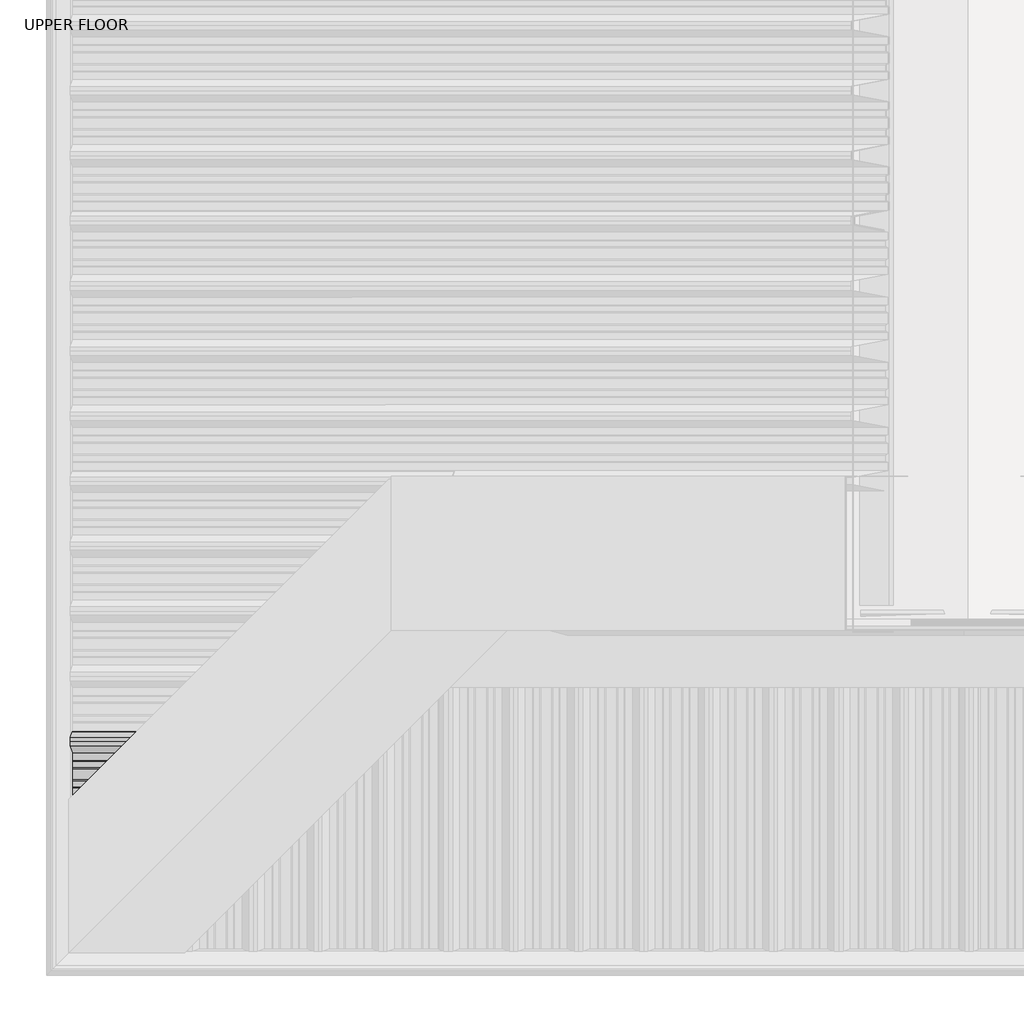
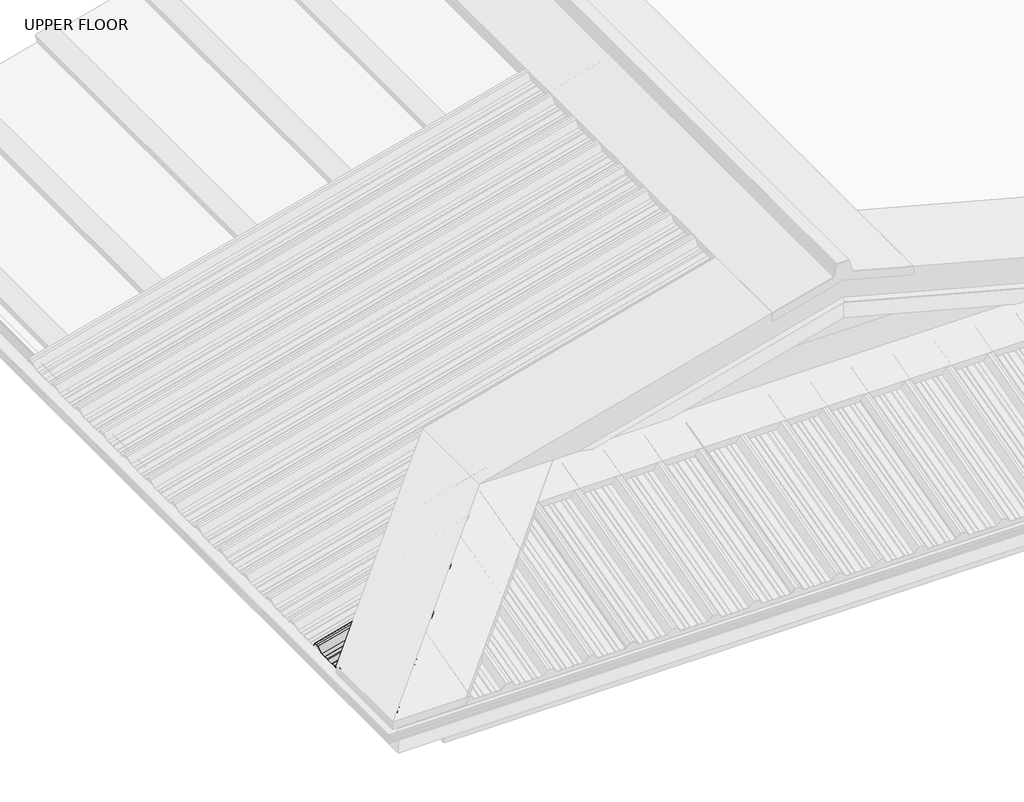
# One storey, part 2 of 8: 1 beam.
"""IFC4 building model written with IfcOpenShell, lengths in millimetres."""

import ifcopenshell
import ifcopenshell.guid

model = None  # the IFC model being written
_history = None  # IfcOwnerHistory: only IFC2X3 demands one
_inside = {}  # id of a spatial element -> (the spatial element, [elements in it])
_under = {}  # id of a project, library or spatial element -> (it, [spatial elements below it])
_declared = {}  # id of a project -> (the project, [libraries it declares])
_typed = {}  # id of a type object -> (the type object, [elements of that type])
_made_of = {}  # id of a material, layer set ... -> (it, [elements and type objects made of it])


def new_model(schema):
    """Start an empty IFC model of exactly this schema.

    Asked for "IFC4X3", IfcOpenShell would pick the latest addendum, in which some entities
    have other attributes; the version numbers below select the first issue.
    IFC2X3 requires an IfcOwnerHistory on every rooted entity: one is made here for all.
    """
    global model, _history
    if schema == "IFC4X3":
        model = ifcopenshell.file(schema_version=(4, 3, 0, 0))
    else:
        model = ifcopenshell.file(schema=schema)
    _inside.clear()
    _under.clear()
    _declared.clear()
    _typed.clear()
    _made_of.clear()
    _history = None
    if model.schema == "IFC2X3":
        org = make("IfcOrganization", Name="unknown")
        user = make(
            "IfcPersonAndOrganization",
            ThePerson=make("IfcPerson", FamilyName="unknown"),
            TheOrganization=org,
        )
        app = make(
            "IfcApplication",
            ApplicationDeveloper=org,
            Version="unknown",
            ApplicationFullName="unknown",
            ApplicationIdentifier="unknown",
        )
        _history = make(
            "IfcOwnerHistory",
            OwningUser=user,
            OwningApplication=app,
            ChangeAction="ADDED",
            CreationDate=0,
        )
    return model


def make(cls, **values):
    """One entity of the class cls with the attributes given. An attribute that is None is left unset."""
    return model.create_entity(
        cls, **{name: value for name, value in values.items() if value is not None}
    )


def rooted(cls, **values):
    """An entity with a GlobalId (a new one), such as an element, a storey or a relation."""
    return make(cls, GlobalId=ifcopenshell.guid.new(), OwnerHistory=_history, **values)


def si_unit(unit_type, name, prefix=None):
    """IfcSIUnit, for example si_unit("LENGTHUNIT", "METRE", prefix="MILLI")."""
    return make("IfcSIUnit", UnitType=unit_type, Prefix=prefix, Name=name)


def assignment(units):
    """IfcUnitAssignment: the units of a project."""
    return None if units is None else make("IfcUnitAssignment", Units=units)


def point(xyz):
    """IfcCartesianPoint."""
    return None if xyz is None else make("IfcCartesianPoint", Coordinates=xyz)


def direction(xyz):
    """IfcDirection."""
    return None if xyz is None else make("IfcDirection", DirectionRatios=xyz)


def frame(location, z_axis=None, x_axis=None):
    """IfcAxis2Placement3D, a coordinate frame: its origin and axes. An axis left out is left unset."""
    return make(
        "IfcAxis2Placement3D",
        Location=point(location),
        Axis=direction(z_axis),
        RefDirection=direction(x_axis),
    )


def origin():
    """The frame at (0, 0, 0) with its axes left unset."""
    return frame((0.0, 0.0, 0.0))


def place(relative_to, where):
    """IfcLocalPlacement: puts the frame where relative to a parent placement (None: the world)."""
    return make(
        "IfcLocalPlacement", PlacementRelTo=relative_to, RelativePlacement=where
    )


def context(
    kind, dimensions, precision=None, world=None, true_north=None, identifier=None
):
    """IfcGeometricRepresentationContext, for example the 3D "Model" context."""
    return make(
        "IfcGeometricRepresentationContext",
        ContextIdentifier=identifier,
        ContextType=kind,
        CoordinateSpaceDimension=dimensions,
        Precision=precision,
        WorldCoordinateSystem=world,
        TrueNorth=true_north,
    )


def project(units=None, contexts=None):
    """IfcProject with its units and contexts."""
    return rooted(
        "IfcProject",
        Name="project",
        RepresentationContexts=contexts,
        UnitsInContext=assignment(units),
    )


def spatial(cls, under=None, at=None, **own):
    """A site, building, storey or space (cls), placed at a placement, below another one or the project."""
    s = rooted(cls, ObjectPlacement=at, **own)
    if under is not None:
        _under.setdefault(under.id(), (under, []))[1].append(s)
    return s


def circle_curve(where, radius):
    """IfcCircle in the frame where."""
    return make("IfcCircle", Position=where, Radius=radius)


def ellipse_curve(where, semi_axis1, semi_axis2):
    """IfcEllipse in the frame where."""
    return make(
        "IfcEllipse", Position=where, SemiAxis1=semi_axis1, SemiAxis2=semi_axis2
    )


def shape(context_of_items, identifier, shape_type, items):
    """IfcShapeRepresentation: the items that make up one representation, for example the "Body"."""
    return make(
        "IfcShapeRepresentation",
        ContextOfItems=context_of_items,
        RepresentationIdentifier=identifier,
        RepresentationType=shape_type,
        Items=items,
    )


def made_of(thing, what):
    """Note that an element or type object is made of a material, layer set ...; save() writes the relation."""
    if what is not None:
        _made_of.setdefault(what.id(), (what, []))[1].append(thing)
    return thing


def element(
    cls,
    number,
    at=None,
    inside=None,
    cuts=None,
    type_object=None,
    material=None,
    context=None,
    identifier="Body",
    shape_type=None,
    held_by="IfcProductDefinitionShape",
    body=None,
    shapes=None,
    **own,
):
    """One element of the class cls, such as IfcWall. Its Tag is "e" and its number.

    at: its placement. inside: the storey or other place that contains it. cuts: it is an
    opening in that element (IfcRelVoidsElement). A single representation is given by context,
    identifier, shape_type and body (its items); several are given by shapes. held_by: the class
    of the entity that holds the representations. save() writes the other relations.
    """
    e = rooted(cls, Tag="e%d" % number, ObjectPlacement=at, **own)
    if body is not None:
        shapes = [shape(context, identifier, shape_type, body)]
    if shapes is not None:
        e.Representation = make(held_by, Representations=shapes)
    if inside is not None:
        _inside.setdefault(inside.id(), (inside, []))[1].append(e)
    if cuts is not None:
        rooted(
            "IfcRelVoidsElement", RelatingBuildingElement=cuts, RelatedOpeningElement=e
        )
    if type_object is not None:
        _typed.setdefault(type_object.id(), (type_object, []))[1].append(e)
    return made_of(e, material)


def aggregate(whole, parts):
    """IfcRelAggregates: a whole, such as a stair, and the parts it consists of."""
    return rooted("IfcRelAggregates", RelatingObject=whole, RelatedObjects=parts)


def save(model, path):
    """Write the relations noted so far, then the file.

    IfcRelAggregates (storeys below a building ...), IfcRelContainedInSpatialStructure (elements
    in a storey), IfcRelDefinesByType, IfcRelAssociatesMaterial and IfcRelDeclares: one each for
    every whole, place, type object, material and project.
    """
    for whole, parts in _under.values():
        aggregate(whole, parts)
    for where, things in _inside.values():
        rooted(
            "IfcRelContainedInSpatialStructure",
            RelatedElements=things,
            RelatingStructure=where,
        )
    for kind, things in _typed.values():
        rooted("IfcRelDefinesByType", RelatedObjects=things, RelatingType=kind)
    for what, things in _made_of.values():
        rooted("IfcRelAssociatesMaterial", RelatedObjects=things, RelatingMaterial=what)
    for by, libraries in _declared.values():
        rooted("IfcRelDeclares", RelatingContext=by, RelatedDefinitions=libraries)
    model.write(path)


def plane_surface(at):
    """IfcPlane: the flat surface through the origin of the frame at, square to its z axis."""
    return make("IfcPlane", Position=at)


def cylinder_surface(at, radius):
    """IfcCylindricalSurface: all points at the distance radius from the z axis of the frame at."""
    return make("IfcCylindricalSurface", Position=at, Radius=radius)


def advanced_brep(points, edges, surfaces, faces):
    """IfcAdvancedBrep: a solid bounded by faces that lie on surfaces and meet in shared edges.

    An edge is (start, end): straight between two places in points (the first is 0);
    or (start, end, curve); or (start, end, curve, False) where it runs against its curve.
    A face is (place in surfaces, loops), or (place, loops, False) where it looks against
    its surface's normal. A loop lists edges by number (the first is 1), with a minus sign
    where the edge is run from its end to its start. The first loop is the outer one.
    """
    corners = [point(p) for p in points]
    vertices = [make("IfcVertexPoint", VertexGeometry=c) for c in corners]
    made = []
    for start, end, *more in edges:
        made.append(
            make(
                "IfcEdgeCurve",
                EdgeStart=vertices[start],
                EdgeEnd=vertices[end],
                EdgeGeometry=more[0] if more else make("IfcPolyline", Points=[corners[start], corners[end]]),
                SameSense=more[1] if len(more) > 1 else True,
            )
        )
    hull = []
    for where, loops, *sense in faces:
        bounds = []
        for j, loop in enumerate(loops):
            ring = [make("IfcOrientedEdge", EdgeElement=made[abs(k) - 1], Orientation=k > 0) for k in loop]
            bounds.append(
                make(
                    "IfcFaceOuterBound" if j == 0 else "IfcFaceBound",
                    Bound=make("IfcEdgeLoop", EdgeList=ring),
                    Orientation=True,
                )
            )
        hull.append(make("IfcAdvancedFace", Bounds=bounds, FaceSurface=surfaces[where], SameSense=sense[0] if sense else True))
    return make("IfcAdvancedBrep", Outer=make("IfcClosedShell", CfsFaces=hull))


model = new_model("IFC4")

# Units and contexts
model_context = context("Model", 3, world=origin())
ifc_project = project(units=[si_unit("LENGTHUNIT", "METRE", prefix="MILLI")], contexts=[model_context])

# Site, building, storey
site = spatial("IfcSite", under=ifc_project)
building = spatial("IfcBuilding", under=site)
storey = spatial("IfcBuildingStorey", under=building, Name="UPPER FLOOR", Elevation=2700.0)

# Beam
placement = place(None, origin())
element("IfcBeam", 1, ObjectType="MC760", at=placement, inside=storey, context=model_context, shape_type="AdvancedBrep", body=[
    advanced_brep(
    [(-609.6770884, -4647.5160332, 3289.4346277), (-609.6770884, -4635.0160332, 3289.4346277), (-609.6770884, -4622.5160332, 3289.4346277), (-602.4301551, -4601.9416077, 3262.3887046), (-602.4301551, -4580.1089895, 3262.3887046), (-602.9582046, -4576.8939453, 3264.3594119), (-602.9582046, -4559.953976, 3264.3594119), (-602.4301551, -4555.5736583, 3262.3887046), (-602.4301551, -4524.4584081, 3262.3887046), (-602.9582046, -4520.0780903, 3264.3594119), (-602.9582046, -4503.1381211, 3264.3594119), (-602.4301551, -4499.9230769, 3262.3887046), (-602.4301551, -4478.0904586, 3262.3887046), (-609.6770884, -4457.5160332, 3289.4346277), (-609.6770884, -4445.0160332, 3289.4346277), (-609.6770884, -4432.5160332, 3289.4346277), (-602.4301551, -4411.9416077, 3262.3887046), (-602.4301551, -4390.1089895, 3262.3887046), (-602.9582046, -4386.8939453, 3264.3594119), (-602.9582046, -4369.953976, 3264.3594119), (-602.4301551, -4365.5736583, 3262.3887046), (-602.4301551, -4334.4584081, 3262.3887046), (-602.9582046, -4330.0780903, 3264.3594119), (-602.9582046, -4313.1381211, 3264.3594119), (-602.4301551, -4309.9230769, 3262.3887046), (-602.4301551, -4288.0904586, 3262.3887046), (-609.6770884, -4267.5160332, 3289.4346277), (-609.6770884, -4255.0160332, 3289.4346277), (-609.6770884, -4242.5160332, 3289.4346277), (-602.4301551, -4221.9416077, 3262.3887046), (-602.4301551, -4200.1089895, 3262.3887046), (-602.9582046, -4196.8939453, 3264.3594119), (-602.9582046, -4179.953976, 3264.3594119), (-602.4301551, -4175.5736583, 3262.3887046), (-602.4301551, -4144.4584081, 3262.3887046), (-602.9582046, -4140.0780903, 3264.3594119), (-602.9582046, -4123.1381211, 3264.3594119), (-602.4301551, -4119.9230769, 3262.3887046), (-602.4301551, -4098.0904586, 3262.3887046), (-609.6770884, -4077.5160332, 3289.4346277), (-609.6770884, -4065.0160332, 3289.4346277), (-609.6770884, -4052.5160332, 3289.4346277), (-604.1022225, -4036.6886952, 3268.628945), (-603.9405235, -4037.5389353, 3268.0254759), (-609.4182694, -4053.0905445, 3288.4687019), (-609.4182694, -4065.0160332, 3288.4687019), (-609.4182694, -4076.9415218, 3288.4687019), (-602.1713361, -4097.5159472, 3261.4227787), (-602.1713361, -4120.2135914, 3261.4227787), (-602.6993855, -4123.4286356, 3263.393486), (-602.6993855, -4139.8566268, 3263.393486), (-602.1713361, -4144.2369445, 3261.4227787), (-602.1713361, -4175.7951218, 3261.4227787), (-602.6993855, -4180.1754395, 3263.393486), (-602.6993855, -4196.6034308, 3263.393486), (-602.1713361, -4199.818475, 3261.4227787), (-602.1713361, -4222.5161191, 3261.4227787), (-609.4182694, -4243.0905445, 3288.4687019), (-609.4182694, -4255.0160332, 3288.4687019), (-609.4182694, -4266.9415218, 3288.4687019), (-602.1713361, -4287.5159472, 3261.4227787), (-602.1713361, -4310.2135914, 3261.4227787), (-602.6993855, -4313.4286356, 3263.393486), (-602.6993855, -4329.8566268, 3263.393486), (-602.1713361, -4334.2369445, 3261.4227787), (-602.1713361, -4365.7951218, 3261.4227787), (-602.6993855, -4370.1754395, 3263.393486), (-602.6993855, -4386.6034308, 3263.393486), (-602.1713361, -4389.818475, 3261.4227787), (-602.1713361, -4412.5161191, 3261.4227787), (-609.4182694, -4433.0905445, 3288.4687019), (-609.4182694, -4445.0160332, 3288.4687019), (-609.4182694, -4456.9415218, 3288.4687019), (-602.1713361, -4477.5159472, 3261.4227787), (-602.1713361, -4500.2135914, 3261.4227787), (-602.6993855, -4503.4286356, 3263.393486), (-602.6993855, -4519.8566268, 3263.393486), (-602.1713361, -4524.2369445, 3261.4227787), (-602.1713361, -4555.7951218, 3261.4227787), (-602.6993855, -4560.1754395, 3263.393486), (-602.6993855, -4576.6034308, 3263.393486), (-602.1713361, -4579.818475, 3261.4227787), (-602.1713361, -4602.5161191, 3261.4227787), (-609.4182694, -4623.0905445, 3288.4687019), (-609.4182694, -4635.0160332, 3288.4687019), (-609.4182694, -4646.9415218, 3288.4687019), (-602.1713361, -4667.5159472, 3261.4227787), (-602.1713361, -4677.5479073, 3261.4227787), (-602.4301551, -4677.8067264, 3262.3887046), (-602.4301551, -4668.0904586, 3262.3887046), (-424.8370202, -4500.2135914, 3308.9393655), (-428.0520643, -4503.4286356, 3310.1900947), (-402.139376, -4477.5159472, 3315.0211809), (-381.5649506, -4456.9415218, 3349.5218146), (-369.639462, -4445.0160332, 3352.7172397), (-357.7139733, -4433.0905445, 3355.9126647), (-337.1395479, -4412.5161191, 3332.4378324), (-314.4419037, -4389.818475, 3338.5196478), (-311.2268596, -4386.6034308, 3341.493314), (-294.7988683, -4370.1754395, 3345.895181), (-290.4185506, -4365.7951218, 3344.9566859), (-258.8603733, -4334.2369445, 3353.412674), (-254.4800556, -4329.8566268, 3356.6985743), (-238.0520643, -4313.4286356, 3361.1004413), (-234.8370202, -4310.2135914, 3359.849712), (-212.139376, -4287.5159472, 3365.9315275), (-191.5649506, -4266.9415218, 3400.4321612), (-179.639462, -4255.0160332, 3403.6275862), (-167.7139733, -4243.0905445, 3406.8230113), (-147.1395479, -4222.5161191, 3383.3481789), (-124.4419037, -4199.818475, 3389.4299943), (-121.2268596, -4196.6034308, 3392.4036605), (-104.7988683, -4180.1754395, 3396.8055275), (-100.4185506, -4175.7951218, 3395.8670324), (-68.8603733, -4144.2369445, 3404.3230205), (-64.4800556, -4139.8566268, 3407.6089208), (-48.0520643, -4123.4286356, 3412.0107878), (-44.8370202, -4120.2135914, 3410.7600586), (-22.139376, -4097.5159472, 3416.841874), (-1.5649506, -4076.9415218, 3451.3425078), (10.360538, -4065.0160332, 3454.5379328), (22.2860267, -4053.0905445, 3457.7333579), (37.8376359, -4037.5389353, 3439.9894154), (38.687876, -4036.6886952, 3440.8640328), (22.860538, -4052.5160332, 3458.9225739), (10.360538, -4065.0160332, 3455.573209), (-2.139462, -4077.5160332, 3452.2238441), (-22.7138874, -4098.0904586, 3417.7232104), (-44.5465057, -4119.9230769, 3411.8731779), (-47.7615498, -4123.1381211, 3413.1239071), (-64.7015191, -4140.0780903, 3408.584856), (-69.0818368, -4144.4584081, 3405.2989557), (-100.1970871, -4175.5736583, 3396.9616496), (-104.5774048, -4179.953976, 3397.9001447), (-121.5173741, -4196.8939453, 3393.3610936), (-124.7324182, -4200.1089895, 3390.3874274), (-146.5650365, -4221.9416077, 3384.537395), (-167.139462, -4242.5160332, 3408.0122273), (-179.639462, -4255.0160332, 3404.6628624), (-192.139462, -4267.5160332, 3401.3134975), (-212.7138874, -4288.0904586, 3366.8128638), (-234.5465057, -4309.9230769, 3360.9628314), (-237.7615498, -4313.1381211, 3362.2135606), (-254.7015191, -4330.0780903, 3357.6745095), (-259.0818368, -4334.4584081, 3354.3886092), (-290.1970871, -4365.5736583, 3346.051303), (-294.5774048, -4369.953976, 3346.9897981), (-311.5173741, -4386.8939453, 3342.450747), (-314.7324182, -4390.1089895, 3339.4770808), (-336.5650365, -4411.9416077, 3333.6270484), (-357.139462, -4432.5160332, 3357.1018808), (-369.639462, -4445.0160332, 3353.7525159), (-382.139462, -4457.5160332, 3350.403151), (-402.7138874, -4478.0904586, 3315.9025172), (-424.5465057, -4499.9230769, 3310.0524848), (-427.7615498, -4503.1381211, 3311.303214), (-444.7015191, -4520.0780903, 3306.7641629), (-449.0818368, -4524.4584081, 3303.4782626), (-480.1970871, -4555.5736583, 3295.1409564), (-484.5774048, -4559.953976, 3296.0794516), (-501.5173741, -4576.8939453, 3291.5404005), (-504.7324182, -4580.1089895, 3288.5667343), (-526.5650365, -4601.9416077, 3282.7167018), (-547.139462, -4622.5160332, 3306.1915342), (-559.639462, -4635.0160332, 3302.8421693), (-572.139462, -4647.5160332, 3299.4928044), (-592.7138874, -4668.0904586, 3264.9921707), (-592.139376, -4667.5159472, 3264.1108343), (-571.5649506, -4646.9415218, 3298.6114681), (-559.639462, -4635.0160332, 3301.8068931), (-547.7139733, -4623.0905445, 3305.0023182), (-527.1395479, -4602.5161191, 3281.5274858), (-504.4419037, -4579.818475, 3287.6093012), (-501.2268596, -4576.6034308, 3290.5829674), (-484.7988683, -4560.1754395, 3294.9848344), (-480.4185506, -4555.7951218, 3294.0463393), (-448.8603733, -4524.2369445, 3302.5023274), (-444.4800556, -4519.8566268, 3305.7882277)],
    [
        (0, 1),
        (1, 2),
        (2, 3),
        (3, 4),
        (4, 5),
        (5, 6),
        (6, 7),
        (7, 8),
        (8, 9),
        (9, 10),
        (10, 11),
        (11, 12),
        (12, 13),
        (13, 14),
        (14, 15),
        (15, 16),
        (16, 17),
        (17, 18),
        (18, 19),
        (19, 20),
        (20, 21),
        (21, 22),
        (22, 23),
        (23, 24),
        (24, 25),
        (25, 26),
        (26, 27),
        (27, 28),
        (28, 29),
        (29, 30),
        (30, 31),
        (31, 32),
        (32, 33),
        (33, 34),
        (34, 35),
        (35, 36),
        (36, 37),
        (37, 38),
        (38, 39),
        (39, 40),
        (40, 41),
        (41, 42),
        (42, 43, circle_curve(frame((-604.021373, -4037.1138152, 3268.3272105), z_axis=(-0.9659258262890683, 0.0, -0.2588190451025209), x_axis=(0.0, 1.0000000000000002, 0.0)), 0.5275485)),
        (43, 44),
        (44, 45),
        (45, 46),
        (46, 47),
        (47, 48),
        (48, 49),
        (49, 50),
        (50, 51),
        (51, 52),
        (52, 53),
        (53, 54),
        (54, 55),
        (55, 56),
        (56, 57),
        (57, 58),
        (58, 59),
        (59, 60),
        (60, 61),
        (61, 62),
        (62, 63),
        (63, 64),
        (64, 65),
        (65, 66),
        (66, 67),
        (67, 68),
        (68, 69),
        (69, 70),
        (70, 71),
        (71, 72),
        (72, 73),
        (73, 74),
        (74, 75),
        (75, 76),
        (76, 77),
        (77, 78),
        (78, 79),
        (79, 80),
        (80, 81),
        (81, 82),
        (82, 83),
        (83, 84),
        (84, 85),
        (85, 86),
        (86, 87),
        (87, 88),
        (88, 89),
        (89, 0),
        (74, 90),
        (90, 91),
        (91, 75),
        (73, 92),
        (92, 90),
        (72, 93),
        (93, 92),
        (71, 94),
        (94, 93),
        (70, 95),
        (95, 94),
        (69, 96),
        (96, 95),
        (68, 97),
        (97, 96),
        (67, 98),
        (98, 97),
        (66, 99),
        (99, 98),
        (65, 100),
        (100, 99),
        (64, 101),
        (101, 100),
        (63, 102),
        (102, 101),
        (62, 103),
        (103, 102),
        (61, 104),
        (104, 103),
        (60, 105),
        (105, 104),
        (59, 106),
        (106, 105),
        (58, 107),
        (107, 106),
        (57, 108),
        (108, 107),
        (56, 109),
        (109, 108),
        (55, 110),
        (110, 109),
        (54, 111),
        (111, 110),
        (53, 112),
        (112, 111),
        (52, 113),
        (113, 112),
        (51, 114),
        (114, 113),
        (50, 115),
        (115, 114),
        (49, 116),
        (116, 115),
        (48, 117),
        (117, 116),
        (47, 118),
        (118, 117),
        (46, 119),
        (119, 118),
        (45, 120),
        (120, 119),
        (44, 121),
        (121, 120),
        (43, 122),
        (122, 121),
        (42, 123),
        (123, 122, ellipse_curve(frame((38.262756, -4037.1138152, 3440.4267241), z_axis=(-0.7071067811865475, 0.7071067811865476, 0.0), x_axis=(0.6612248329466448, 0.6612248329466447, 0.35434932000691577)), 0.7723846, 0.5275485)),
        (41, 124),
        (124, 123),
        (40, 125),
        (125, 124),
        (39, 126),
        (126, 125),
        (38, 127),
        (127, 126),
        (37, 128),
        (128, 127),
        (36, 129),
        (129, 128),
        (35, 130),
        (130, 129),
        (34, 131),
        (131, 130),
        (33, 132),
        (132, 131),
        (32, 133),
        (133, 132),
        (31, 134),
        (134, 133),
        (30, 135),
        (135, 134),
        (29, 136),
        (136, 135),
        (28, 137),
        (137, 136),
        (27, 138),
        (138, 137),
        (26, 139),
        (139, 138),
        (25, 140),
        (140, 139),
        (24, 141),
        (141, 140),
        (23, 142),
        (142, 141),
        (22, 143),
        (143, 142),
        (21, 144),
        (144, 143),
        (20, 145),
        (145, 144),
        (19, 146),
        (146, 145),
        (18, 147),
        (147, 146),
        (17, 148),
        (148, 147),
        (16, 149),
        (149, 148),
        (15, 150),
        (150, 149),
        (14, 151),
        (151, 150),
        (13, 152),
        (152, 151),
        (12, 153),
        (153, 152),
        (11, 154),
        (154, 153),
        (10, 155),
        (155, 154),
        (9, 156),
        (156, 155),
        (8, 157),
        (157, 156),
        (7, 158),
        (158, 157),
        (6, 159),
        (159, 158),
        (5, 160),
        (160, 159),
        (4, 161),
        (161, 160),
        (3, 162),
        (162, 161),
        (2, 163),
        (163, 162),
        (1, 164),
        (164, 163),
        (0, 165),
        (165, 164),
        (89, 166),
        (166, 165),
        (88, 166),
        (86, 167),
        (167, 87),
        (85, 168),
        (168, 167),
        (84, 169),
        (169, 168),
        (83, 170),
        (170, 169),
        (82, 171),
        (171, 170),
        (81, 172),
        (172, 171),
        (80, 173),
        (173, 172),
        (79, 174),
        (174, 173),
        (78, 175),
        (175, 174),
        (77, 176),
        (176, 175),
        (76, 177),
        (177, 176),
        (91, 177),
    ],
    [
        plane_surface(frame((-602.1713361, -4667.5159472, 3261.4227787), z_axis=(-0.9659258262890683, 0.0, -0.2588190451025208), x_axis=(0.2085669095073644, -0.5921324467912102, -0.7783823030591084))),
        plane_surface(frame((513.0427908, -4503.4286356, 3562.3557011), z_axis=(0.21853130769187565, -0.53580755412896, -0.8155699433505507), x_axis=(-0.9659258262890683, 0.0, -0.2588190451025209))),
        plane_surface(frame((513.5708403, -4500.2135914, 3560.3849939), z_axis=(0.2588190451025209, 0.0, -0.9659258262890683), x_axis=(-0.9659258262890683, 0.0, -0.2588190451025209))),
        plane_surface(frame((513.5708403, -4477.5159472, 3560.3849939), z_axis=(0.15325515445272173, 0.8058406576098373, -0.5719560229393672), x_axis=(-0.9659258262890683, 0.0, -0.2588190451025209))),
        plane_surface(frame((506.323907, -4456.9415218, 3587.430917), z_axis=(0.2588190451025209, 0.0, -0.9659258262890683), x_axis=(-0.9659258262890683, 0.0, -0.2588190451025209))),
        plane_surface(frame((506.323907, -4445.0160332, 3587.430917), z_axis=(0.25881904510252085, 0.0, -0.9659258262890683), x_axis=(-0.9659258262890683, 0.0, -0.25881904510252085))),
        plane_surface(frame((506.323907, -4433.0905445, 3587.430917), z_axis=(0.15325515445271645, -0.8058406576098442, -0.5719560229393584), x_axis=(-0.9659258262890683, 0.0, -0.25881904510252096))),
        plane_surface(frame((513.5708403, -4412.5161191, 3560.3849939), z_axis=(0.2588190451025209, 0.0, -0.9659258262890683), x_axis=(-0.9659258262890683, 0.0, -0.2588190451025209))),
        plane_surface(frame((513.5708403, -4389.818475, 3560.3849939), z_axis=(0.2185313076918777, 0.5358075541289585, -0.815569943350551), x_axis=(-0.9659258262890683, 0.0, -0.25881904510252085))),
        plane_surface(frame((513.0427908, -4386.6034308, 3562.3557011), z_axis=(0.2588190451025209, 0.0, -0.9659258262890683), x_axis=(-0.9659258262890683, 0.0, -0.2588190451025209))),
        plane_surface(frame((513.0427908, -4370.1754395, 3562.3557011), z_axis=(0.2346178917516149, -0.4222188604224492, -0.8756058923817245), x_axis=(-0.9659258262890683, 0.0, -0.2588190451025209))),
        plane_surface(frame((513.5708403, -4365.7951218, 3560.3849939), z_axis=(0.2588190451025209, 0.0, -0.9659258262890683), x_axis=(-0.9659258262890683, 0.0, -0.2588190451025209))),
        plane_surface(frame((513.5708403, -4334.2369445, 3560.3849939), z_axis=(0.2346178917516166, 0.42221886042244783, -0.8756058923817246), x_axis=(-0.9659258262890683, 0.0, -0.2588190451025209))),
        plane_surface(frame((513.0427908, -4329.8566268, 3562.3557011), z_axis=(0.2588190451025209, 0.0, -0.9659258262890683), x_axis=(-0.9659258262890683, 0.0, -0.2588190451025209))),
        plane_surface(frame((513.0427908, -4313.4286356, 3562.3557011), z_axis=(0.21853130769187562, -0.5358075541289599, -0.8155699433505507), x_axis=(-0.9659258262890683, 0.0, -0.2588190451025209))),
        plane_surface(frame((513.5708403, -4310.2135914, 3560.3849939), z_axis=(0.25881904510252085, 0.0, -0.9659258262890683), x_axis=(-0.9659258262890683, 0.0, -0.25881904510252085))),
        plane_surface(frame((513.5708403, -4287.5159472, 3560.3849939), z_axis=(0.15325515445271926, 0.8058406576098442, -0.5719560229393578), x_axis=(-0.9659258262890683, 0.0, -0.25881904510252085))),
        plane_surface(frame((506.323907, -4266.9415218, 3587.430917), z_axis=(0.2588190451025209, 0.0, -0.9659258262890683), x_axis=(-0.9659258262890683, 0.0, -0.2588190451025209))),
        plane_surface(frame((506.323907, -4255.0160332, 3587.430917), z_axis=(0.2588190451025209, 0.0, -0.9659258262890683), x_axis=(-0.9659258262890683, 0.0, -0.2588190451025209))),
        plane_surface(frame((506.323907, -4243.0905445, 3587.430917), z_axis=(0.15325515445271706, -0.8058406576098424, -0.5719560229393609), x_axis=(-0.9659258262890683, 0.0, -0.25881904510252096))),
        plane_surface(frame((513.5708403, -4222.5161191, 3560.3849939), z_axis=(0.25881904510252096, 0.0, -0.9659258262890683), x_axis=(-0.9659258262890683, 0.0, -0.25881904510252096))),
        plane_surface(frame((513.5708403, -4199.818475, 3560.3849939), z_axis=(0.21853130769186008, 0.5358075541290663, -0.815569943350485), x_axis=(-0.9659258262890683, 0.0, -0.2588190451025209))),
        plane_surface(frame((513.0427908, -4196.6034308, 3562.3557011), z_axis=(0.2588190451025209, 0.0, -0.9659258262890683), x_axis=(-0.9659258262890683, 0.0, -0.2588190451025209))),
        plane_surface(frame((513.0427908, -4180.1754395, 3562.3557011), z_axis=(0.2346178917516038, -0.42221886042254186, -0.8756058923816828), x_axis=(-0.9659258262890683, 0.0, -0.2588190451025209))),
        plane_surface(frame((513.5708403, -4175.7951218, 3560.3849939), z_axis=(0.2588190451025209, 0.0, -0.9659258262890683), x_axis=(-0.9659258262890683, 0.0, -0.2588190451025209))),
        plane_surface(frame((513.5708403, -4144.2369445, 3560.3849939), z_axis=(0.23461789175160483, 0.422218860422546, -0.8756058923816804), x_axis=(-0.9659258262890683, 0.0, -0.25881904510252096))),
        plane_surface(frame((513.0427908, -4139.8566268, 3562.3557011), z_axis=(0.25881904510252096, 0.0, -0.9659258262890683), x_axis=(-0.9659258262890683, 0.0, -0.25881904510252096))),
        plane_surface(frame((513.0427908, -4123.4286356, 3562.3557011), z_axis=(0.21853130769185697, -0.5358075541290741, -0.8155699433504808), x_axis=(-0.9659258262890683, 0.0, -0.2588190451025209))),
        plane_surface(frame((513.5708403, -4120.2135914, 3560.3849939), z_axis=(0.2588190451025209, 0.0, -0.9659258262890683), x_axis=(-0.9659258262890683, 0.0, -0.2588190451025209))),
        plane_surface(frame((513.5708403, -4097.5159472, 3560.3849939), z_axis=(0.153255154452724, 0.805840657609831, -0.5719560229393752), x_axis=(-0.9659258262890683, 0.0, -0.25881904510252096))),
        plane_surface(frame((506.323907, -4076.9415218, 3587.430917), z_axis=(0.25881904510252096, 0.0, -0.9659258262890683), x_axis=(-0.9659258262890683, 0.0, -0.25881904510252096))),
        plane_surface(frame((506.323907, -4065.0160332, 3587.430917), z_axis=(0.25881904510252085, 0.0, -0.9659258262890683), x_axis=(-0.9659258262890683, 0.0, -0.25881904510252085))),
        plane_surface(frame((506.323907, -4053.0905445, 3587.430917), z_axis=(0.15325515445271742, -0.8058406576098414, -0.5719560229393623), x_axis=(-0.9659258262890683, 0.0, -0.25881904510252085))),
        cylinder_surface(frame((-604.021373, -4037.1138152, 3268.3272105), z_axis=(0.9659258262890683, 0.0, 0.2588190451025209), x_axis=(0.0, 1.0000000000000002, 0.0)), 0.5275485),
        plane_surface(frame((511.6399538, -4036.6886952, 3567.5911601), z_axis=(-0.15325515445271182, 0.8058406576098571, 0.5719560229393412), x_axis=(-0.9659258262890683, 0.0, -0.2588190451025209))),
        plane_surface(frame((506.0650879, -4052.5160332, 3588.3968428), z_axis=(-0.2588190451025209, 0.0, 0.9659258262890683), x_axis=(-0.9659258262890683, 0.0, -0.2588190451025209))),
        plane_surface(frame((506.0650879, -4065.0160332, 3588.3968428), z_axis=(-0.2588190451025209, 0.0, 0.9659258262890683), x_axis=(-0.9659258262890683, 0.0, -0.2588190451025209))),
        plane_surface(frame((506.0650879, -4077.5160332, 3588.3968428), z_axis=(-0.15325515445272525, -0.8058406576098267, 0.5719560229393809), x_axis=(-0.9659258262890683, 0.0, -0.25881904510252096))),
        plane_surface(frame((513.3120212, -4098.0904586, 3561.3509197), z_axis=(-0.25881904510252085, 0.0, 0.9659258262890683), x_axis=(-0.9659258262890683, 0.0, -0.25881904510252085))),
        plane_surface(frame((513.3120212, -4119.9230769, 3561.3509197), z_axis=(-0.21853130769187568, 0.53580755412896, 0.8155699433505507), x_axis=(-0.9659258262890683, 0.0, -0.2588190451025209))),
        plane_surface(frame((512.7839718, -4123.1381211, 3563.321627), z_axis=(-0.25881904510252085, 0.0, 0.9659258262890683), x_axis=(-0.9659258262890683, 0.0, -0.25881904510252085))),
        plane_surface(frame((512.7839718, -4140.0780903, 3563.321627), z_axis=(-0.23461789175161654, -0.42221886042244816, 0.8756058923817245), x_axis=(-0.9659258262890683, 0.0, -0.2588190451025209))),
        plane_surface(frame((513.3120212, -4144.4584081, 3561.3509197), z_axis=(-0.2588190451025209, 0.0, 0.9659258262890683), x_axis=(-0.9659258262890683, 0.0, -0.2588190451025209))),
        plane_surface(frame((513.3120212, -4175.5736583, 3561.3509197), z_axis=(-0.2346178917516149, 0.4222188604224497, 0.8756058923817244), x_axis=(-0.9659258262890683, 0.0, -0.2588190451025209))),
        plane_surface(frame((512.7839718, -4179.953976, 3563.321627), z_axis=(-0.25881904510252085, 0.0, 0.9659258262890683), x_axis=(-0.9659258262890683, 0.0, -0.25881904510252085))),
        plane_surface(frame((512.7839718, -4196.8939453, 3563.321627), z_axis=(-0.21853130769187779, -0.5358075541289586, 0.815569943350551), x_axis=(-0.9659258262890683, 0.0, -0.2588190451025209))),
        plane_surface(frame((513.3120212, -4200.1089895, 3561.3509197), z_axis=(-0.25881904510252085, 0.0, 0.9659258262890683), x_axis=(-0.9659258262890683, 0.0, -0.25881904510252085))),
        plane_surface(frame((513.3120212, -4221.9416077, 3561.3509197), z_axis=(-0.15325515445271878, 0.8058406576098374, 0.5719560229393679), x_axis=(-0.9659258262890683, 0.0, -0.2588190451025209))),
        plane_surface(frame((506.0650879, -4242.5160332, 3588.3968428), z_axis=(-0.2588190451025209, 0.0, 0.9659258262890683), x_axis=(-0.9659258262890683, 0.0, -0.2588190451025209))),
        plane_surface(frame((506.0650879, -4255.0160332, 3588.3968428), z_axis=(-0.2588190451025209, 0.0, 0.9659258262890683), x_axis=(-0.9659258262890683, 0.0, -0.2588190451025209))),
        plane_surface(frame((506.0650879, -4267.5160332, 3588.3968428), z_axis=(-0.1532551544527193, -0.8058406576098442, 0.5719560229393578), x_axis=(-0.9659258262890683, 0.0, -0.2588190451025209))),
        plane_surface(frame((513.3120212, -4288.0904586, 3561.3509197), z_axis=(-0.2588190451025209, 0.0, 0.9659258262890683), x_axis=(-0.9659258262890683, 0.0, -0.2588190451025209))),
        plane_surface(frame((513.3120212, -4309.9230769, 3561.3509197), z_axis=(-0.21853130769187562, 0.5358075541289599, 0.8155699433505507), x_axis=(-0.9659258262890683, 0.0, -0.2588190451025209))),
        plane_surface(frame((512.7839718, -4313.1381211, 3563.321627), z_axis=(-0.25881904510252096, 0.0, 0.9659258262890683), x_axis=(-0.9659258262890683, 0.0, -0.25881904510252096))),
        plane_surface(frame((512.7839718, -4330.0780903, 3563.321627), z_axis=(-0.2346178917516172, -0.42221886042244244, 0.875605892381727), x_axis=(-0.9659258262890683, 0.0, -0.2588190451025209))),
        plane_surface(frame((513.3120212, -4334.4584081, 3561.3509197), z_axis=(-0.2588190451025209, 0.0, 0.9659258262890683), x_axis=(-0.9659258262890683, 0.0, -0.2588190451025209))),
        plane_surface(frame((513.3120212, -4365.5736583, 3561.3509197), z_axis=(-0.2346178917516149, 0.4222188604224492, 0.8756058923817245), x_axis=(-0.9659258262890683, 0.0, -0.2588190451025209))),
        plane_surface(frame((512.7839718, -4369.953976, 3563.321627), z_axis=(-0.2588190451025209, 0.0, 0.9659258262890683), x_axis=(-0.9659258262890683, 0.0, -0.2588190451025209))),
        plane_surface(frame((512.7839718, -4386.8939453, 3563.321627), z_axis=(-0.21853130769187776, -0.5358075541289585, 0.815569943350551), x_axis=(-0.9659258262890683, 0.0, -0.2588190451025209))),
        plane_surface(frame((513.3120212, -4390.1089895, 3561.3509197), z_axis=(-0.2588190451025209, 0.0, 0.9659258262890683), x_axis=(-0.9659258262890683, 0.0, -0.2588190451025209))),
        plane_surface(frame((513.3120212, -4411.9416077, 3561.3509197), z_axis=(-0.15325515445271604, 0.8058406576098452, 0.5719560229393572), x_axis=(-0.9659258262890683, 0.0, -0.2588190451025209))),
        plane_surface(frame((506.0650879, -4432.5160332, 3588.3968428), z_axis=(-0.2588190451025209, 0.0, 0.9659258262890683), x_axis=(-0.9659258262890683, 0.0, -0.2588190451025209))),
        plane_surface(frame((506.0650879, -4445.0160332, 3588.3968428), z_axis=(-0.2588190451025209, 0.0, 0.9659258262890683), x_axis=(-0.9659258262890683, 0.0, -0.2588190451025209))),
        plane_surface(frame((506.0650879, -4457.5160332, 3588.3968428), z_axis=(-0.15325515445272173, -0.8058406576098373, 0.5719560229393672), x_axis=(-0.9659258262890683, 0.0, -0.2588190451025209))),
        plane_surface(frame((513.3120212, -4478.0904586, 3561.3509197), z_axis=(-0.2588190451025209, 0.0, 0.9659258262890683), x_axis=(-0.9659258262890683, 0.0, -0.2588190451025209))),
        plane_surface(frame((513.3120212, -4499.9230769, 3561.3509197), z_axis=(-0.21853130769187565, 0.53580755412896, 0.8155699433505507), x_axis=(-0.9659258262890683, 0.0, -0.2588190451025209))),
        plane_surface(frame((512.7839718, -4503.1381211, 3563.321627), z_axis=(-0.2588190451025209, 0.0, 0.9659258262890683), x_axis=(-0.9659258262890683, 0.0, -0.2588190451025209))),
        plane_surface(frame((512.7839718, -4520.0780903, 3563.321627), z_axis=(-0.23461789175161657, -0.4222188604224481, 0.8756058923817245), x_axis=(-0.9659258262890683, 0.0, -0.2588190451025209))),
        plane_surface(frame((513.3120212, -4524.4584081, 3561.3509197), z_axis=(-0.2588190451025209, 0.0, 0.9659258262890683), x_axis=(-0.9659258262890683, 0.0, -0.2588190451025209))),
        plane_surface(frame((513.3120212, -4555.5736583, 3561.3509197), z_axis=(-0.23461789175161457, 0.4222188604224522, 0.875605892381723), x_axis=(-0.9659258262890683, 0.0, -0.2588190451025209))),
        plane_surface(frame((512.7839718, -4559.953976, 3563.321627), z_axis=(-0.2588190451025209, 0.0, 0.9659258262890683), x_axis=(-0.9659258262890683, 0.0, -0.2588190451025209))),
        plane_surface(frame((512.7839718, -4576.8939453, 3563.321627), z_axis=(-0.21853130769187773, -0.5358075541289585, 0.815569943350551), x_axis=(-0.9659258262890683, 0.0, -0.2588190451025209))),
        plane_surface(frame((513.3120212, -4580.1089895, 3561.3509197), z_axis=(-0.2588190451025209, 0.0, 0.9659258262890683), x_axis=(-0.9659258262890683, 0.0, -0.2588190451025209))),
        plane_surface(frame((513.3120212, -4601.9416077, 3561.3509197), z_axis=(-0.1532551544527178, 0.8058406576098404, 0.5719560229393637), x_axis=(-0.9659258262890683, 0.0, -0.2588190451025209))),
        plane_surface(frame((506.0650879, -4622.5160332, 3588.3968428), z_axis=(-0.2588190451025209, 0.0, 0.9659258262890683), x_axis=(-0.9659258262890683, 0.0, -0.2588190451025209))),
        plane_surface(frame((506.0650879, -4635.0160332, 3588.3968428), z_axis=(-0.2588190451025209, 0.0, 0.9659258262890683), x_axis=(-0.9659258262890683, 0.0, -0.2588190451025209))),
        plane_surface(frame((506.0650879, -4647.5160332, 3588.3968428), z_axis=(-0.1532551544527234, -0.8058406576098323, 0.5719560229393735), x_axis=(-0.9659258262890683, 0.0, -0.2588190451025209))),
        plane_surface(frame((513.3120212, -4668.0904586, 3561.3509197), z_axis=(-0.2588190451025209, 0.0, 0.9659258262890683), x_axis=(-0.9659258262890683, 0.0, -0.2588190451025209))),
        plane_surface(frame((513.5708403, -4690.2135914, 3560.3849939), z_axis=(0.2588190451025209, 0.0, -0.9659258262890683), x_axis=(-0.9659258262890683, 0.0, -0.2588190451025209))),
        plane_surface(frame((513.5708403, -4667.5159472, 3560.3849939), z_axis=(0.1532551544527217, 0.8058406576098373, -0.5719560229393672), x_axis=(-0.9659258262890683, 0.0, -0.2588190451025209))),
        plane_surface(frame((506.323907, -4646.9415218, 3587.430917), z_axis=(0.2588190451025209, 0.0, -0.9659258262890683), x_axis=(-0.9659258262890683, 0.0, -0.2588190451025209))),
        plane_surface(frame((506.323907, -4635.0160332, 3587.430917), z_axis=(0.2588190451025209, 0.0, -0.9659258262890683), x_axis=(-0.9659258262890683, 0.0, -0.2588190451025209))),
        plane_surface(frame((506.323907, -4623.0905445, 3587.430917), z_axis=(0.1532551544527164, -0.8058406576098442, -0.5719560229393584), x_axis=(-0.9659258262890683, 0.0, -0.2588190451025209))),
        plane_surface(frame((513.5708403, -4602.5161191, 3560.3849939), z_axis=(0.2588190451025209, 0.0, -0.9659258262890683), x_axis=(-0.9659258262890683, 0.0, -0.2588190451025209))),
        plane_surface(frame((513.5708403, -4579.818475, 3560.3849939), z_axis=(0.21853130769187906, 0.5358075541289504, -0.815569943350556), x_axis=(-0.9659258262890683, 0.0, -0.2588190451025209))),
        plane_surface(frame((513.0427908, -4576.6034308, 3562.3557011), z_axis=(0.2588190451025209, 0.0, -0.9659258262890683), x_axis=(-0.9659258262890683, 0.0, -0.2588190451025209))),
        plane_surface(frame((513.0427908, -4560.1754395, 3562.3557011), z_axis=(0.2346178917516149, -0.42221886042244955, -0.8756058923817244), x_axis=(-0.9659258262890683, 0.0, -0.2588190451025209))),
        plane_surface(frame((513.5708403, -4555.7951218, 3560.3849939), z_axis=(0.2588190451025209, 0.0, -0.9659258262890683), x_axis=(-0.9659258262890683, 0.0, -0.2588190451025209))),
        plane_surface(frame((513.5708403, -4524.2369445, 3560.3849939), z_axis=(0.23461789175161687, 0.4222188604224453, -0.8756058923817257), x_axis=(-0.9659258262890683, 0.0, -0.2588190451025209))),
        plane_surface(frame((513.0427908, -4519.8566268, 3562.3557011), z_axis=(0.2588190451025209, 0.0, -0.9659258262890683), x_axis=(-0.9659258262890683, 0.0, -0.2588190451025209))),
        plane_surface(frame((1282.9785823, -2792.3979889, 4276.036793), z_axis=(0.7071067811865475, -0.7071067811865476, 0.0), x_axis=(0.0, 0.0, -1.0))),
    ],
    [
        (0, [[1, 2, 3, 4, 5, 6, 7, 8, 9, 10, 11, 12, 13, 14, 15, 16, 17, 18, 19, 20, 21, 22, 23, 24, 25, 26, 27, 28, 29, 30, 31, 32, 33, 34, 35, 36, 37, 38, 39, 40, 41, 42, 43, 44, 45, 46, 47, 48, 49, 50, 51, 52, 53, 54, 55, 56, 57, 58, 59, 60, 61, 62, 63, 64, 65, 66, 67, 68, 69, 70, 71, 72, 73, 74, 75, 76, 77, 78, 79, 80, 81, 82, 83, 84, 85, 86, 87, 88, 89, 90]]),
        (1, [[-75, 91, 92, 93]]),
        (2, [[-74, 94, 95, -91]]),
        (3, [[-73, 96, 97, -94]]),
        (4, [[-72, 98, 99, -96]]),
        (5, [[-71, 100, 101, -98]]),
        (6, [[-70, 102, 103, -100]]),
        (7, [[-69, 104, 105, -102]]),
        (8, [[-68, 106, 107, -104]]),
        (9, [[-67, 108, 109, -106]]),
        (10, [[-66, 110, 111, -108]]),
        (11, [[-65, 112, 113, -110]]),
        (12, [[-64, 114, 115, -112]]),
        (13, [[-63, 116, 117, -114]]),
        (14, [[-62, 118, 119, -116]]),
        (15, [[-61, 120, 121, -118]]),
        (16, [[-60, 122, 123, -120]]),
        (17, [[-59, 124, 125, -122]]),
        (18, [[-58, 126, 127, -124]]),
        (19, [[-57, 128, 129, -126]]),
        (20, [[-56, 130, 131, -128]]),
        (21, [[-55, 132, 133, -130]]),
        (22, [[-54, 134, 135, -132]]),
        (23, [[-53, 136, 137, -134]]),
        (24, [[-52, 138, 139, -136]]),
        (25, [[-51, 140, 141, -138]]),
        (26, [[-50, 142, 143, -140]]),
        (27, [[-49, 144, 145, -142]]),
        (28, [[-48, 146, 147, -144]]),
        (29, [[-47, 148, 149, -146]]),
        (30, [[-46, 150, 151, -148]]),
        (31, [[-45, 152, 153, -150]]),
        (32, [[-44, 154, 155, -152]]),
        (33, [[-43, 156, 157, -154]]),
        (34, [[-42, 158, 159, -156]]),
        (35, [[-41, 160, 161, -158]]),
        (36, [[-40, 162, 163, -160]]),
        (37, [[-39, 164, 165, -162]]),
        (38, [[-38, 166, 167, -164]]),
        (39, [[-37, 168, 169, -166]]),
        (40, [[-36, 170, 171, -168]]),
        (41, [[-35, 172, 173, -170]]),
        (42, [[-34, 174, 175, -172]]),
        (43, [[-33, 176, 177, -174]]),
        (44, [[-32, 178, 179, -176]]),
        (45, [[-31, 180, 181, -178]]),
        (46, [[-30, 182, 183, -180]]),
        (47, [[-29, 184, 185, -182]]),
        (48, [[-28, 186, 187, -184]]),
        (49, [[-27, 188, 189, -186]]),
        (50, [[-26, 190, 191, -188]]),
        (51, [[-25, 192, 193, -190]]),
        (52, [[-24, 194, 195, -192]]),
        (53, [[-23, 196, 197, -194]]),
        (54, [[-22, 198, 199, -196]]),
        (55, [[-21, 200, 201, -198]]),
        (56, [[-20, 202, 203, -200]]),
        (57, [[-19, 204, 205, -202]]),
        (58, [[-18, 206, 207, -204]]),
        (59, [[-17, 208, 209, -206]]),
        (60, [[-16, 210, 211, -208]]),
        (61, [[-15, 212, 213, -210]]),
        (62, [[-14, 214, 215, -212]]),
        (63, [[-13, 216, 217, -214]]),
        (64, [[-12, 218, 219, -216]]),
        (65, [[-11, 220, 221, -218]]),
        (66, [[-10, 222, 223, -220]]),
        (67, [[-9, 224, 225, -222]]),
        (68, [[-8, 226, 227, -224]]),
        (69, [[-7, 228, 229, -226]]),
        (70, [[-6, 230, 231, -228]]),
        (71, [[-5, 232, 233, -230]]),
        (72, [[-4, 234, 235, -232]]),
        (73, [[-3, 236, 237, -234]]),
        (74, [[-2, 238, 239, -236]]),
        (75, [[-1, 240, 241, -238]]),
        (76, [[-90, 242, 243, -240]]),
        (77, [[-89, 244, -242]]),
        (78, [[-87, 245, 246]]),
        (79, [[-86, 247, 248, -245]]),
        (80, [[-85, 249, 250, -247]]),
        (81, [[-84, 251, 252, -249]]),
        (82, [[-83, 253, 254, -251]]),
        (83, [[-82, 255, 256, -253]]),
        (84, [[-81, 257, 258, -255]]),
        (85, [[-80, 259, 260, -257]]),
        (86, [[-79, 261, 262, -259]]),
        (87, [[-78, 263, 264, -261]]),
        (88, [[-77, 265, 266, -263]]),
        (89, [[-76, -93, 267, -265]]),
        (90, [[-88, -246, -248, -250, -252, -254, -256, -258, -260, -262, -264, -266, -267, -92, -95, -97, -99, -101, -103, -105, -107, -109, -111, -113, -115, -117, -119, -121, -123, -125, -127, -129, -131, -133, -135, -137, -139, -141, -143, -145, -147, -149, -151, -153, -155, -157, -159, -161, -163, -165, -167, -169, -171, -173, -175, -177, -179, -181, -183, -185, -187, -189, -191, -193, -195, -197, -199, -201, -203, -205, -207, -209, -211, -213, -215, -217, -219, -221, -223, -225, -227, -229, -231, -233, -235, -237, -239, -241, -243, -244]]),
    ],
),
])

save(model, "model.ifc")
